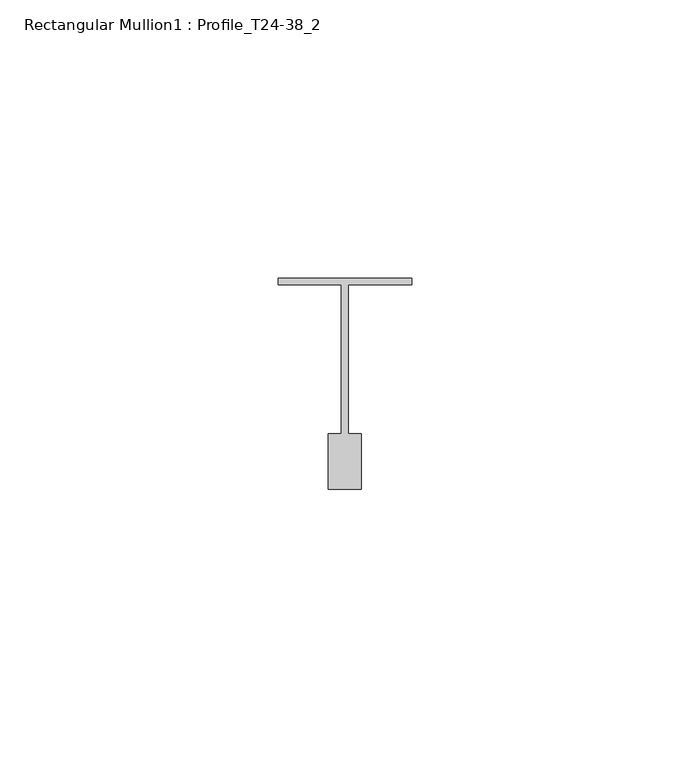
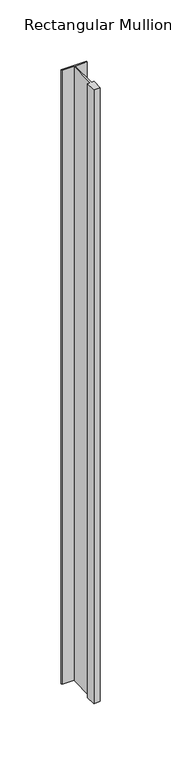
"""IFC4 building model written with IfcOpenShell, lengths in millimetres: member geometry, Rectangular Mullion1 : Profile_T24-38_2."""

import ifcopenshell
import ifcopenshell.guid

model = None  # the IFC model being written
_history = None  # IfcOwnerHistory: only IFC2X3 demands one
_inside = {}  # id of a spatial element -> (the spatial element, [elements in it])
_under = {}  # id of a project, library or spatial element -> (it, [spatial elements below it])
_declared = {}  # id of a project -> (the project, [libraries it declares])
_typed = {}  # id of a type object -> (the type object, [elements of that type])
_made_of = {}  # id of a material, layer set ... -> (it, [elements and type objects made of it])


def new_model(schema):
    """Start an empty IFC model of exactly this schema.

    Asked for "IFC4X3", IfcOpenShell would pick the latest addendum, in which some entities
    have other attributes; the version numbers below select the first issue.
    IFC2X3 requires an IfcOwnerHistory on every rooted entity: one is made here for all.
    """
    global model, _history
    if schema == "IFC4X3":
        model = ifcopenshell.file(schema_version=(4, 3, 0, 0))
    else:
        model = ifcopenshell.file(schema=schema)
    _inside.clear()
    _under.clear()
    _declared.clear()
    _typed.clear()
    _made_of.clear()
    _history = None
    if model.schema == "IFC2X3":
        org = make("IfcOrganization", Name="unknown")
        user = make(
            "IfcPersonAndOrganization",
            ThePerson=make("IfcPerson", FamilyName="unknown"),
            TheOrganization=org,
        )
        app = make(
            "IfcApplication",
            ApplicationDeveloper=org,
            Version="unknown",
            ApplicationFullName="unknown",
            ApplicationIdentifier="unknown",
        )
        _history = make(
            "IfcOwnerHistory",
            OwningUser=user,
            OwningApplication=app,
            ChangeAction="ADDED",
            CreationDate=0,
        )
    return model


def make(cls, **values):
    """One entity of the class cls with the attributes given. An attribute that is None is left unset."""
    return model.create_entity(
        cls, **{name: value for name, value in values.items() if value is not None}
    )


def rooted(cls, **values):
    """An entity with a GlobalId (a new one), such as an element, a storey or a relation."""
    return make(cls, GlobalId=ifcopenshell.guid.new(), OwnerHistory=_history, **values)


def si_unit(unit_type, name, prefix=None):
    """IfcSIUnit, for example si_unit("LENGTHUNIT", "METRE", prefix="MILLI")."""
    return make("IfcSIUnit", UnitType=unit_type, Prefix=prefix, Name=name)


def assignment(units):
    """IfcUnitAssignment: the units of a project."""
    return None if units is None else make("IfcUnitAssignment", Units=units)


def point(xyz):
    """IfcCartesianPoint."""
    return None if xyz is None else make("IfcCartesianPoint", Coordinates=xyz)


def direction(xyz):
    """IfcDirection."""
    return None if xyz is None else make("IfcDirection", DirectionRatios=xyz)


def frame(location, z_axis=None, x_axis=None):
    """IfcAxis2Placement3D, a coordinate frame: its origin and axes. An axis left out is left unset."""
    return make(
        "IfcAxis2Placement3D",
        Location=point(location),
        Axis=direction(z_axis),
        RefDirection=direction(x_axis),
    )


def origin():
    """The frame at (0, 0, 0) with its axes left unset."""
    return frame((0.0, 0.0, 0.0))


def place(relative_to, where):
    """IfcLocalPlacement: puts the frame where relative to a parent placement (None: the world)."""
    return make(
        "IfcLocalPlacement", PlacementRelTo=relative_to, RelativePlacement=where
    )


def context(
    kind, dimensions, precision=None, world=None, true_north=None, identifier=None
):
    """IfcGeometricRepresentationContext, for example the 3D "Model" context."""
    return make(
        "IfcGeometricRepresentationContext",
        ContextIdentifier=identifier,
        ContextType=kind,
        CoordinateSpaceDimension=dimensions,
        Precision=precision,
        WorldCoordinateSystem=world,
        TrueNorth=true_north,
    )


def project(units=None, contexts=None):
    """IfcProject with its units and contexts."""
    return rooted(
        "IfcProject",
        Name="project",
        RepresentationContexts=contexts,
        UnitsInContext=assignment(units),
    )


def spatial(cls, under=None, at=None, **own):
    """A site, building, storey or space (cls), placed at a placement, below another one or the project."""
    s = rooted(cls, ObjectPlacement=at, **own)
    if under is not None:
        _under.setdefault(under.id(), (under, []))[1].append(s)
    return s


def polyline(points):
    """IfcPolyline through the points."""
    return make("IfcPolyline", Points=[point(p) for p in points])


def outline(outer, holes=None, kind="AREA"):
    """IfcArbitraryClosedProfileDef: a profile drawn as a closed curve; with holes, ...WithVoids."""
    if holes is None:
        return make("IfcArbitraryClosedProfileDef", ProfileType=kind, OuterCurve=outer)
    return make(
        "IfcArbitraryProfileDefWithVoids",
        ProfileType=kind,
        OuterCurve=outer,
        InnerCurves=holes,
    )


def extrude(swept, where, along, depth):
    """IfcExtrudedAreaSolid: the profile swept, set in the frame where, extruded along a direction by depth."""
    return make(
        "IfcExtrudedAreaSolid",
        SweptArea=swept,
        Position=where,
        ExtrudedDirection=direction(along),
        Depth=depth,
    )


def shape(context_of_items, identifier, shape_type, items):
    """IfcShapeRepresentation: the items that make up one representation, for example the "Body"."""
    return make(
        "IfcShapeRepresentation",
        ContextOfItems=context_of_items,
        RepresentationIdentifier=identifier,
        RepresentationType=shape_type,
        Items=items,
    )


def source(mapping_origin, context_of_items, identifier, shape_type, items):
    """IfcRepresentationMap: a shape defined once, which mapped items show again and again."""
    return make(
        "IfcRepresentationMap",
        MappingOrigin=mapping_origin,
        MappedRepresentation=shape(context_of_items, identifier, shape_type, items),
    )


def transform(
    local_origin,
    x_axis=None,
    y_axis=None,
    z_axis=None,
    scale=None,
    scale2=None,
    scale3=None,
    uniform=True,
):
    """IfcCartesianTransformationOperator3D, or its non-uniform kind. x_axis, y_axis, z_axis: its Axis1, 2, 3."""
    if uniform:
        return make(
            "IfcCartesianTransformationOperator3D",
            Axis1=direction(x_axis),
            Axis2=direction(y_axis),
            LocalOrigin=point(local_origin),
            Scale=scale,
            Axis3=direction(z_axis),
        )
    return make(
        "IfcCartesianTransformationOperator3DnonUniform",
        Axis1=direction(x_axis),
        Axis2=direction(y_axis),
        LocalOrigin=point(local_origin),
        Scale=scale,
        Axis3=direction(z_axis),
        Scale2=scale2,
        Scale3=scale3,
    )


def mapped(mapping_source, mapping_target):
    """IfcMappedItem: shows the shape of a source again, moved by a transform."""
    return make(
        "IfcMappedItem", MappingSource=mapping_source, MappingTarget=mapping_target
    )


def made_of(thing, what):
    """Note that an element or type object is made of a material, layer set ...; save() writes the relation."""
    if what is not None:
        _made_of.setdefault(what.id(), (what, []))[1].append(thing)
    return thing


def element(
    cls,
    number,
    at=None,
    inside=None,
    cuts=None,
    type_object=None,
    material=None,
    context=None,
    identifier="Body",
    shape_type=None,
    held_by="IfcProductDefinitionShape",
    body=None,
    shapes=None,
    **own,
):
    """One element of the class cls, such as IfcWall. Its Tag is "e" and its number.

    at: its placement. inside: the storey or other place that contains it. cuts: it is an
    opening in that element (IfcRelVoidsElement). A single representation is given by context,
    identifier, shape_type and body (its items); several are given by shapes. held_by: the class
    of the entity that holds the representations. save() writes the other relations.
    """
    e = rooted(cls, Tag="e%d" % number, ObjectPlacement=at, **own)
    if body is not None:
        shapes = [shape(context, identifier, shape_type, body)]
    if shapes is not None:
        e.Representation = make(held_by, Representations=shapes)
    if inside is not None:
        _inside.setdefault(inside.id(), (inside, []))[1].append(e)
    if cuts is not None:
        rooted(
            "IfcRelVoidsElement", RelatingBuildingElement=cuts, RelatedOpeningElement=e
        )
    if type_object is not None:
        _typed.setdefault(type_object.id(), (type_object, []))[1].append(e)
    return made_of(e, material)


def aggregate(whole, parts):
    """IfcRelAggregates: a whole, such as a stair, and the parts it consists of."""
    return rooted("IfcRelAggregates", RelatingObject=whole, RelatedObjects=parts)


def save(model, path):
    """Write the relations noted so far, then the file.

    IfcRelAggregates (storeys below a building ...), IfcRelContainedInSpatialStructure (elements
    in a storey), IfcRelDefinesByType, IfcRelAssociatesMaterial and IfcRelDeclares: one each for
    every whole, place, type object, material and project.
    """
    for whole, parts in _under.values():
        aggregate(whole, parts)
    for where, things in _inside.values():
        rooted(
            "IfcRelContainedInSpatialStructure",
            RelatedElements=things,
            RelatingStructure=where,
        )
    for kind, things in _typed.values():
        rooted("IfcRelDefinesByType", RelatedObjects=things, RelatingType=kind)
    for what, things in _made_of.values():
        rooted("IfcRelAssociatesMaterial", RelatedObjects=things, RelatingMaterial=what)
    for by, libraries in _declared.values():
        rooted("IfcRelDeclares", RelatingContext=by, RelatedDefinitions=libraries)
    model.write(path)


def rectangular_mullion1_profile_t24_38_2_49bf00b6(model_context):
    return source(origin(), model_context, "Body", "SweptSolid", [
        extrude(outline(polyline([(-24.0, -0.5), (0.0, -0.5), (0.0, -1.75), (-11.4, -1.75), (-11.4, -28.5), (-9.0, -28.5), (-9.0, -38.5), (-15.0, -38.5), (-15.0, -28.5), (-12.6, -28.5), (-12.6, -1.75), (-24.0, -1.75), (-24.0, -0.5)])), frame((0.0, 0.0, -612.0), z_axis=(0.0, 0.0, 1.0), x_axis=(1.0, 0.0, 0.0)), (0.0, 0.0, 1.0), 612.0),
    ])


if __name__ == "__main__":
    model = new_model("IFC4")
    model_context = context("Model", 3, world=origin())
    ifc_project = project(units=[si_unit("LENGTHUNIT", "METRE", prefix="MILLI")], contexts=[model_context])
    site = spatial("IfcSite", under=ifc_project)
    building = spatial("IfcBuilding", under=site)
    placement = place(None, origin())
    rectangular_mullion1_profile_t24_38_2_shape = rectangular_mullion1_profile_t24_38_2_49bf00b6(model_context)
    element("IfcMember", 1, ObjectType="Rectangular Mullion1 : Profile_T24-38_2", at=placement, inside=building, context=model_context, shape_type="MappedRepresentation", body=[
        mapped(rectangular_mullion1_profile_t24_38_2_shape, transform((0.0, 0.0, 0.0), x_axis=(1.0, 0.0, 0.0), y_axis=(0.0, 1.0, 0.0), z_axis=(0.0, 0.0, 1.0))),
    ])
    save(model, "model.ifc")
